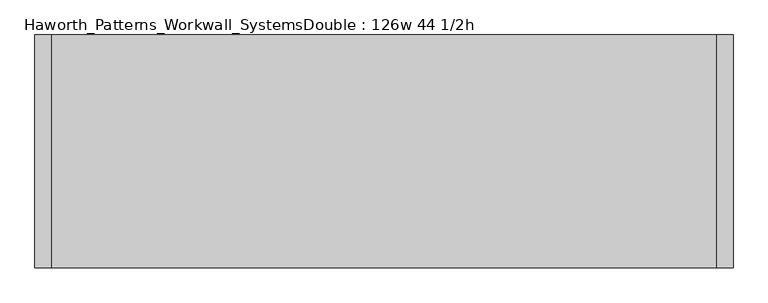
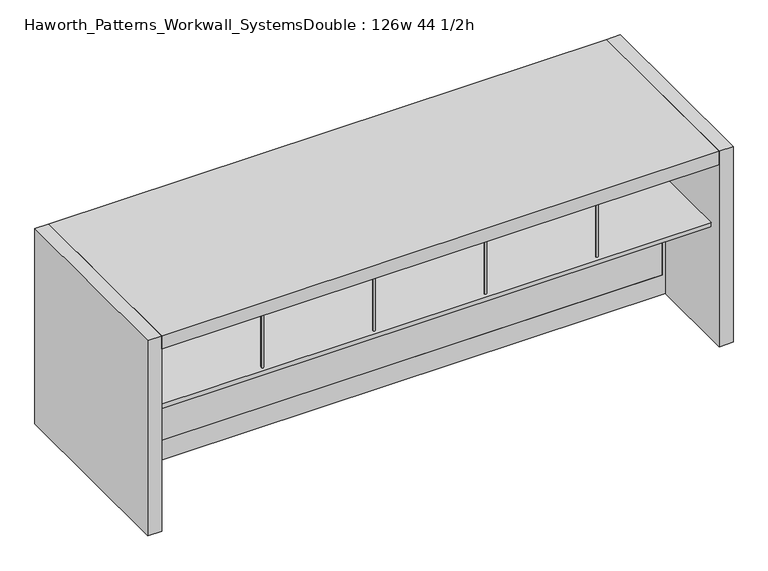
"""IFC4 building model written with IfcOpenShell, lengths in millimetres: furniture geometry, Haworth_Patterns_Workwall_SystemsDouble : 126w 44 1/2h."""

from ifc_helpers import new_model, si_unit, point, frame, frame_2d, origin, origin_with_axes, place, context, project, spatial, polyline, circle_curve, trimmed, segment, composite_curve, outline, extrude, source, transform, mapped, element, save


def haworth_patterns_workwall_systemsdouble_126w_44_1_2h_6cdc2ce5(model_context):
    return source(origin(), model_context, "Body", "SweptSolid", [
        extrude(outline(composite_curve([segment(trimmed(circle_curve(frame_2d((-914.4, 787.4)), 6.35), [point((-908.05, 787.4))], [point((-920.75, 787.4))], False, "CARTESIAN"), True, "CONTINUOUS"), segment(trimmed(circle_curve(frame_2d((-914.4, 787.4)), 6.35), [point((-920.75, 787.4))], [point((-908.05, 787.4))], False, "CARTESIAN"), True, "CONTINUOUS")], self_intersect=False)), frame((0.0, 0.0, 673.1), z_axis=(0.0, 0.0, 1.0), x_axis=(1.0, 0.0, 0.0)), (0.0, 0.0, 1.0), 381.0),
        extrude(outline(composite_curve([segment(trimmed(circle_curve(frame_2d((-914.4, 406.4)), 6.35), [point((-908.05, 406.4))], [point((-920.75, 406.4))], False, "CARTESIAN"), True, "CONTINUOUS"), segment(trimmed(circle_curve(frame_2d((-914.4, 406.4)), 6.35), [point((-920.75, 406.4))], [point((-908.05, 406.4))], False, "CARTESIAN"), True, "CONTINUOUS")], self_intersect=False)), frame((0.0, 0.0, 673.1), z_axis=(0.0, 0.0, 1.0), x_axis=(1.0, 0.0, 0.0)), (0.0, 0.0, 1.0), 381.0),
        extrude(outline(composite_curve([segment(trimmed(circle_curve(frame_2d((-304.8, 787.4)), 6.35), [point((-298.45, 787.4))], [point((-311.15, 787.4))], False, "CARTESIAN"), True, "CONTINUOUS"), segment(trimmed(circle_curve(frame_2d((-304.8, 787.4)), 6.35), [point((-311.15, 787.4))], [point((-298.45, 787.4))], False, "CARTESIAN"), True, "CONTINUOUS")], self_intersect=False)), frame((0.0, 0.0, 673.1), z_axis=(0.0, 0.0, 1.0), x_axis=(1.0, 0.0, 0.0)), (0.0, 0.0, 1.0), 381.0),
        extrude(outline(composite_curve([segment(trimmed(circle_curve(frame_2d((-304.8, 406.4)), 6.35), [point((-298.45, 406.4))], [point((-311.15, 406.4))], False, "CARTESIAN"), True, "CONTINUOUS"), segment(trimmed(circle_curve(frame_2d((-304.8, 406.4)), 6.35), [point((-311.15, 406.4))], [point((-298.45, 406.4))], False, "CARTESIAN"), True, "CONTINUOUS")], self_intersect=False)), frame((0.0, 0.0, 673.1), z_axis=(0.0, 0.0, 1.0), x_axis=(1.0, 0.0, 0.0)), (0.0, 0.0, 1.0), 381.0),
        extrude(outline(composite_curve([segment(trimmed(circle_curve(frame_2d((-1524.0, 787.4)), 6.35), [point((-1517.65, 787.4))], [point((-1530.35, 787.4))], False, "CARTESIAN"), True, "CONTINUOUS"), segment(trimmed(circle_curve(frame_2d((-1524.0, 787.4)), 6.35), [point((-1530.35, 787.4))], [point((-1517.65, 787.4))], False, "CARTESIAN"), True, "CONTINUOUS")], self_intersect=False)), frame((0.0, 0.0, 673.1), z_axis=(0.0, 0.0, 1.0), x_axis=(1.0, 0.0, 0.0)), (0.0, 0.0, 1.0), 381.0),
        extrude(outline(composite_curve([segment(trimmed(circle_curve(frame_2d((-1524.0, 406.4)), 6.35), [point((-1517.65, 406.4))], [point((-1530.35, 406.4))], False, "CARTESIAN"), True, "CONTINUOUS"), segment(trimmed(circle_curve(frame_2d((-1524.0, 406.4)), 6.35), [point((-1530.35, 406.4))], [point((-1517.65, 406.4))], False, "CARTESIAN"), True, "CONTINUOUS")], self_intersect=False)), frame((0.0, 0.0, 673.1), z_axis=(0.0, 0.0, 1.0), x_axis=(1.0, 0.0, 0.0)), (0.0, 0.0, 1.0), 381.0),
        extrude(outline(composite_curve([segment(trimmed(circle_curve(frame_2d((304.8, 787.4)), 6.35), [point((311.15, 787.4))], [point((298.45, 787.4))], False, "CARTESIAN"), True, "CONTINUOUS"), segment(trimmed(circle_curve(frame_2d((304.8, 787.4)), 6.35), [point((298.45, 787.4))], [point((311.15, 787.4))], False, "CARTESIAN"), True, "CONTINUOUS")], self_intersect=False)), frame((0.0, 0.0, 673.1), z_axis=(0.0, 0.0, 1.0), x_axis=(1.0, 0.0, 0.0)), (0.0, 0.0, 1.0), 381.0),
        extrude(outline(composite_curve([segment(trimmed(circle_curve(frame_2d((304.8, 406.4)), 6.35), [point((311.15, 406.4))], [point((298.45, 406.4))], False, "CARTESIAN"), True, "CONTINUOUS"), segment(trimmed(circle_curve(frame_2d((304.8, 406.4)), 6.35), [point((298.45, 406.4))], [point((311.15, 406.4))], False, "CARTESIAN"), True, "CONTINUOUS")], self_intersect=False)), frame((0.0, 0.0, 673.1), z_axis=(0.0, 0.0, 1.0), x_axis=(1.0, 0.0, 0.0)), (0.0, 0.0, 1.0), 381.0),
        extrude(outline(polyline([(-2133.6, 381.0), (-2133.6, 812.8), (914.4, 812.8), (914.4, 381.0), (-2133.6, 381.0)])), frame((0.0, 0.0, 647.7), z_axis=(0.0, 0.0, 1.0), x_axis=(1.0, 0.0, 0.0)), (0.0, 0.0, 1.0), 25.4),
        extrude(outline(polyline([(-609.6, 333.375), (-2133.6, 333.375), (-2133.6, 352.425), (-609.6, 352.425), (-609.6, 333.375)])), frame((0.0, 0.0, 635.0), z_axis=(0.0, 0.0, 1.0), x_axis=(1.0, 0.0, 0.0)), (0.0, 0.0, 1.0), 419.1),
        extrude(outline(polyline([(914.4, 333.375), (-609.6, 333.375), (-609.6, 352.425), (914.4, 352.425), (914.4, 333.375)])), frame((0.0, 0.0, 635.0), z_axis=(0.0, 0.0, 1.0), x_axis=(1.0, 0.0, 0.0)), (0.0, 0.0, 1.0), 419.1),
        extrude(outline(composite_curve([segment(trimmed(circle_curve(frame_2d((-304.8, -76.2)), 6.35), [point((-311.15, -76.2))], [point((-298.45, -76.2))], False, "CARTESIAN"), True, "CONTINUOUS"), segment(trimmed(circle_curve(frame_2d((-304.8, -76.2)), 6.35), [point((-298.45, -76.2))], [point((-311.15, -76.2))], False, "CARTESIAN"), True, "CONTINUOUS")], self_intersect=False)), frame((0.0, 0.0, 673.1), z_axis=(0.0, 0.0, 1.0), x_axis=(1.0, 0.0, 0.0)), (0.0, 0.0, 1.0), 381.0),
        extrude(outline(composite_curve([segment(trimmed(circle_curve(frame_2d((-304.8, 304.8)), 6.35), [point((-311.15, 304.8))], [point((-298.45, 304.8))], False, "CARTESIAN"), True, "CONTINUOUS"), segment(trimmed(circle_curve(frame_2d((-304.8, 304.8)), 6.35), [point((-298.45, 304.8))], [point((-311.15, 304.8))], False, "CARTESIAN"), True, "CONTINUOUS")], self_intersect=False)), frame((0.0, 0.0, 673.1), z_axis=(0.0, 0.0, 1.0), x_axis=(1.0, 0.0, 0.0)), (0.0, 0.0, 1.0), 381.0),
        extrude(outline(composite_curve([segment(trimmed(circle_curve(frame_2d((-914.4, -76.2)), 6.35), [point((-920.75, -76.2))], [point((-908.05, -76.2))], False, "CARTESIAN"), True, "CONTINUOUS"), segment(trimmed(circle_curve(frame_2d((-914.4, -76.2)), 6.35), [point((-908.05, -76.2))], [point((-920.75, -76.2))], False, "CARTESIAN"), True, "CONTINUOUS")], self_intersect=False)), frame((0.0, 0.0, 673.1), z_axis=(0.0, 0.0, 1.0), x_axis=(1.0, 0.0, 0.0)), (0.0, 0.0, 1.0), 381.0),
        extrude(outline(composite_curve([segment(trimmed(circle_curve(frame_2d((-914.4, 304.8)), 6.35), [point((-920.75, 304.8))], [point((-908.05, 304.8))], False, "CARTESIAN"), True, "CONTINUOUS"), segment(trimmed(circle_curve(frame_2d((-914.4, 304.8)), 6.35), [point((-908.05, 304.8))], [point((-920.75, 304.8))], False, "CARTESIAN"), True, "CONTINUOUS")], self_intersect=False)), frame((0.0, 0.0, 673.1), z_axis=(0.0, 0.0, 1.0), x_axis=(1.0, 0.0, 0.0)), (0.0, 0.0, 1.0), 381.0),
        extrude(outline(composite_curve([segment(trimmed(circle_curve(frame_2d((304.8, -76.2)), 6.35), [point((298.45, -76.2))], [point((311.15, -76.2))], False, "CARTESIAN"), True, "CONTINUOUS"), segment(trimmed(circle_curve(frame_2d((304.8, -76.2)), 6.35), [point((311.15, -76.2))], [point((298.45, -76.2))], False, "CARTESIAN"), True, "CONTINUOUS")], self_intersect=False)), frame((0.0, 0.0, 673.1), z_axis=(0.0, 0.0, 1.0), x_axis=(1.0, 0.0, 0.0)), (0.0, 0.0, 1.0), 381.0),
        extrude(outline(composite_curve([segment(trimmed(circle_curve(frame_2d((304.8, 304.8)), 6.35), [point((298.45, 304.8))], [point((311.15, 304.8))], False, "CARTESIAN"), True, "CONTINUOUS"), segment(trimmed(circle_curve(frame_2d((304.8, 304.8)), 6.35), [point((311.15, 304.8))], [point((298.45, 304.8))], False, "CARTESIAN"), True, "CONTINUOUS")], self_intersect=False)), frame((0.0, 0.0, 673.1), z_axis=(0.0, 0.0, 1.0), x_axis=(1.0, 0.0, 0.0)), (0.0, 0.0, 1.0), 381.0),
        extrude(outline(composite_curve([segment(trimmed(circle_curve(frame_2d((-1524.0, -76.2)), 6.35), [point((-1530.35, -76.2))], [point((-1517.65, -76.2))], False, "CARTESIAN"), True, "CONTINUOUS"), segment(trimmed(circle_curve(frame_2d((-1524.0, -76.2)), 6.35), [point((-1517.65, -76.2))], [point((-1530.35, -76.2))], False, "CARTESIAN"), True, "CONTINUOUS")], self_intersect=False)), frame((0.0, 0.0, 673.1), z_axis=(0.0, 0.0, 1.0), x_axis=(1.0, 0.0, 0.0)), (0.0, 0.0, 1.0), 381.0),
        extrude(outline(composite_curve([segment(trimmed(circle_curve(frame_2d((-1524.0, 304.8)), 6.35), [point((-1530.35, 304.8))], [point((-1517.65, 304.8))], False, "CARTESIAN"), True, "CONTINUOUS"), segment(trimmed(circle_curve(frame_2d((-1524.0, 304.8)), 6.35), [point((-1517.65, 304.8))], [point((-1530.35, 304.8))], False, "CARTESIAN"), True, "CONTINUOUS")], self_intersect=False)), frame((0.0, 0.0, 673.1), z_axis=(0.0, 0.0, 1.0), x_axis=(1.0, 0.0, 0.0)), (0.0, 0.0, 1.0), 381.0),
        extrude(outline(polyline([(914.4, 330.2), (914.4, -101.6), (-2133.6, -101.6), (-2133.6, 330.2), (914.4, 330.2)])), frame((0.0, 0.0, 647.7), z_axis=(0.0, 0.0, 1.0), x_axis=(1.0, 0.0, 0.0)), (0.0, 0.0, 1.0), 25.4),
        extrude(outline(polyline([(1054.1, 914.4), (1054.1, -2133.6), (635.0, -2133.6), (635.0, 914.4), (1054.1, 914.4)]), holes=[polyline([(1035.05, 895.35), (654.05, 895.35), (654.05, -2114.55), (1035.05, -2114.55), (1035.05, 895.35)])]), frame((0.0, 330.2, 0.0), z_axis=(0.0, 1.0, 0.0), x_axis=(0.0, 0.0, 1.0)), (0.0, 0.0, 1.0), 25.4),
        extrude(outline(polyline([(895.35, 330.2), (-2114.55, 330.2), (-2114.55, 355.6), (895.35, 355.6), (895.35, 330.2)])), frame((0.0, 0.0, 114.3), z_axis=(0.0, 0.0, 1.0), x_axis=(1.0, 0.0, 0.0)), (0.0, 0.0, 1.0), 495.3),
        extrude(outline(polyline([(635.0, 914.4), (635.0, -2133.6), (0.0, -2133.6), (0.0, 914.4), (635.0, 914.4)]), holes=[polyline([(609.6, 895.35), (114.3, 895.35), (114.3, -2114.55), (609.6, -2114.55), (609.6, 895.35)])]), frame((0.0, 330.2, 0.0), z_axis=(0.0, 1.0, 0.0), x_axis=(0.0, 0.0, 1.0)), (0.0, 0.0, 1.0), 25.4),
        extrude(outline(polyline([(914.4, -177.8), (-2133.6, -177.8), (-2133.6, 889.0), (914.4, 889.0), (914.4, -177.8)])), frame((0.0, 0.0, 1054.1), z_axis=(0.0, 0.0, 1.0), x_axis=(1.0, 0.0, 0.0)), (0.0, 0.0, 1.0), 76.2),
        extrude(outline(polyline([(990.6, 889.0), (990.6, -177.8), (914.4, -177.8), (914.4, 889.0), (990.6, 889.0)])), origin_with_axes(), (0.0, 0.0, 1.0), 1130.3),
        extrude(outline(polyline([(-2133.6, 889.0), (-2133.6, -177.8), (-2209.8, -177.8), (-2209.8, 889.0), (-2133.6, 889.0)])), origin_with_axes(), (0.0, 0.0, 1.0), 1130.3),
    ])


if __name__ == "__main__":
    model = new_model("IFC4")
    model_context = context("Model", 3, world=origin())
    ifc_project = project(units=[si_unit("LENGTHUNIT", "METRE", prefix="MILLI")], contexts=[model_context])
    site = spatial("IfcSite", under=ifc_project)
    building = spatial("IfcBuilding", under=site)
    placement = place(None, origin())
    haworth_patterns_workwall_systemsdouble_126w_44_1_2h_shape = haworth_patterns_workwall_systemsdouble_126w_44_1_2h_6cdc2ce5(model_context)
    element("IfcFurniture", 1, ObjectType="Haworth_Patterns_Workwall_SystemsDouble : 126w 44 1/2h", at=placement, inside=building, context=model_context, shape_type="MappedRepresentation", body=[
        mapped(haworth_patterns_workwall_systemsdouble_126w_44_1_2h_shape, transform((0.0, 0.0, 0.0), x_axis=(1.0, 0.0, 0.0), y_axis=(0.0, 1.0, 0.0), z_axis=(0.0, 0.0, 1.0))),
    ])
    save(model, "model.ifc")
